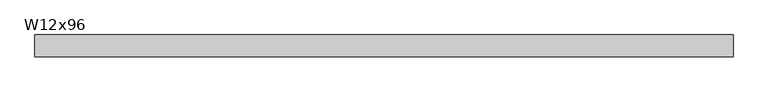
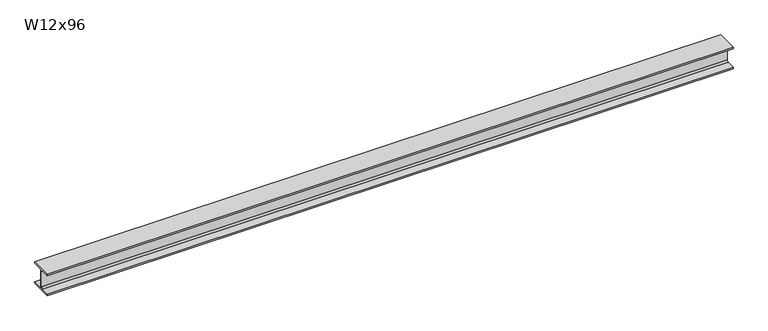
"""IFC4 building model written with IfcOpenShell, lengths in millimetres: beam geometry, W12x96."""

from ifc_helpers import new_model, si_unit, point, frame, frame_2d, origin, place, context, project, spatial, polyline, circle_curve, trimmed, segment, composite_curve, outline, extrude, source, transform, mapped, element, save


def w12x96_1e0f23c4(model_context):
    return source(origin(), model_context, "Body", "SweptSolid", [
        extrude(outline(composite_curve([segment(polyline([(154.94, -138.43), (154.94, -161.29), (-154.94, -161.29), (-154.94, -138.43), (-30.1625, -138.43)]), True, "CONTINUOUS"), segment(trimmed(circle_curve(frame_2d((-30.1625, -115.2525)), 23.1775), [point((-30.1625, -138.43))], [point((-6.985, -115.2525))], True, "CARTESIAN"), True, "CONTINUOUS"), segment(polyline([(-6.985, -115.2525), (-6.985, 115.2525)]), True, "CONTINUOUS"), segment(trimmed(circle_curve(frame_2d((-30.1625, 115.2525)), 23.1775), [point((-6.985, 115.2525))], [point((-30.1625, 138.43))], True, "CARTESIAN"), True, "CONTINUOUS"), segment(polyline([(-30.1625, 138.43), (-154.94, 138.43), (-154.94, 161.29), (154.94, 161.29), (154.94, 138.43), (30.1625, 138.43)]), True, "CONTINUOUS"), segment(trimmed(circle_curve(frame_2d((30.1625, 115.2525)), 23.1775), [point((30.1625, 138.43))], [point((6.985, 115.2525))], True, "CARTESIAN"), True, "CONTINUOUS"), segment(polyline([(6.985, 115.2525), (6.985, -115.2525)]), True, "CONTINUOUS"), segment(trimmed(circle_curve(frame_2d((30.1625, -115.2525)), 23.1775), [point((6.985, -115.2525))], [point((30.1625, -138.43))], True, "CARTESIAN"), True, "CONTINUOUS"), segment(polyline([(30.1625, -138.43), (154.94, -138.43)]), True, "CONTINUOUS")], self_intersect=False)), frame((-4902.2, 0.0, 0.0), z_axis=(1.0, 0.0, 0.0), x_axis=(0.0, 1.0, 0.0)), (0.0, 0.0, 1.0), 9804.4),
    ])


if __name__ == "__main__":
    model = new_model("IFC4")
    model_context = context("Model", 3, world=origin())
    ifc_project = project(units=[si_unit("LENGTHUNIT", "METRE", prefix="MILLI")], contexts=[model_context])
    site = spatial("IfcSite", under=ifc_project)
    building = spatial("IfcBuilding", under=site)
    placement = place(None, origin())
    w12x96_shape = w12x96_1e0f23c4(model_context)
    element("IfcBeam", 1, ObjectType="W12x96", at=placement, inside=building, context=model_context, shape_type="MappedRepresentation", body=[
        mapped(w12x96_shape, transform((0.0, 0.0, 0.0), x_axis=(1.0, 0.0, 0.0), y_axis=(0.0, 1.0, 0.0), z_axis=(0.0, 0.0, 1.0))),
    ])
    save(model, "model.ifc")
